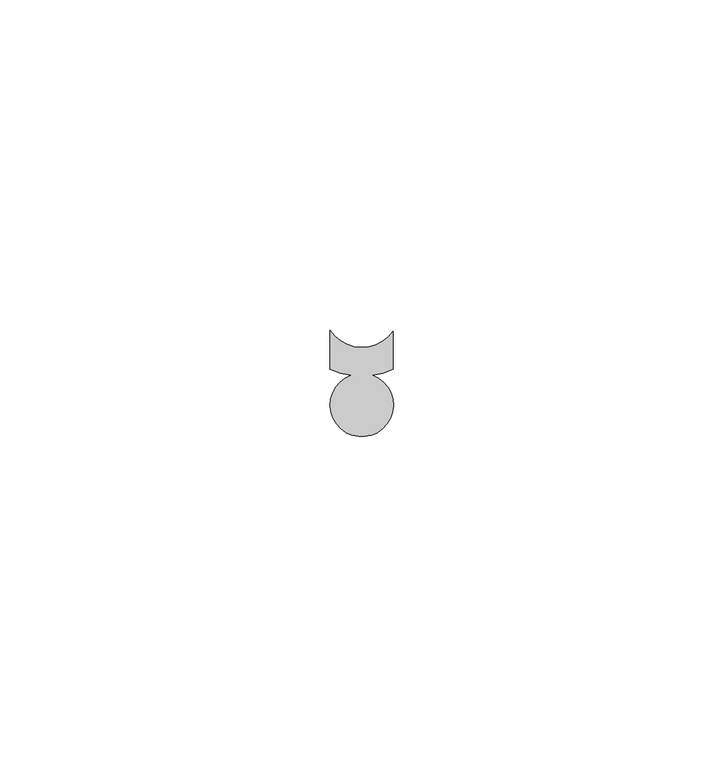
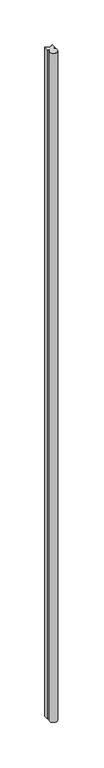
"""IFC4 building model written with IfcOpenShell, lengths in millimetres: proxy geometry."""

from ifc_helpers import new_model, si_unit, point, frame, frame_2d, origin, place, context, project, spatial, polyline, circle_curve, trimmed, segment, composite_curve, outline, extrude, source, transform, mapped, element, save


def generic_models_d573782f(model_context):
    return source(origin(), model_context, "Body", "SweptSolid", [
        extrude(outline(composite_curve([segment(trimmed(circle_curve(frame_2d((37267.1627349, -23879.4832337)), 5.7427597), [point((37262.3710168, -23882.6484709))], [point((37271.8924255, -23882.7404281))], True, "CARTESIAN"), True, "CONTINUOUS"), segment(polyline([(37271.8924255, -23882.7404281), (37271.8924255, -23888.4890015)]), True, "CONTINUOUS"), segment(trimmed(circle_curve(frame_2d((37267.1299255, -23878.6175129)), 10.9602779), [point((37271.8924255, -23888.4890015))], [point((37268.7909799, -23889.4511915))], False, "CARTESIAN"), True, "CONTINUOUS"), segment(trimmed(circle_curve(frame_2d((37267.1458725, -23893.9375237)), 4.778447), [point((37268.7909799, -23889.4511915))], [point((37265.4914287, -23889.4546261))], False, "CARTESIAN"), True, "CONTINUOUS"), segment(trimmed(circle_curve(frame_2d((37267.1299255, -23878.6175129)), 10.9602779), [point((37265.4914287, -23889.4546261))], [point((37262.3710168, -23888.4907333))], False, "CARTESIAN"), True, "CONTINUOUS"), segment(polyline([(37262.3710168, -23888.4907333), (37262.3710168, -23882.6484709)]), True, "CONTINUOUS")], self_intersect=False)), frame((0.0, 0.0, 1524.0), z_axis=(0.0, 0.0, 1.0), x_axis=(1.0, 0.0, 0.0)), (0.0, 0.0, 1.0), 914.4),
    ])


if __name__ == "__main__":
    model = new_model("IFC4")
    model_context = context("Model", 3, world=origin())
    ifc_project = project(units=[si_unit("LENGTHUNIT", "METRE", prefix="MILLI")], contexts=[model_context])
    site = spatial("IfcSite", under=ifc_project)
    building = spatial("IfcBuilding", under=site)
    placement = place(None, origin())
    generic_models_shape = generic_models_d573782f(model_context)
    element("IfcBuildingElementProxy", 1, Name="Generic Models", at=placement, inside=building, context=model_context, shape_type="MappedRepresentation", body=[
        mapped(generic_models_shape, transform((0.0, 0.0, 0.0), x_axis=(1.0, 0.0, 0.0), y_axis=(0.0, 1.0, 0.0), z_axis=(0.0, 0.0, 1.0))),
    ])
    save(model, "model.ifc")
